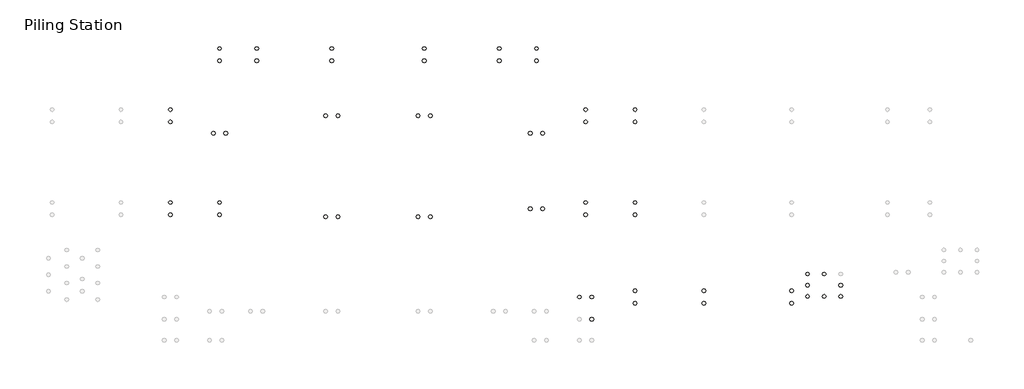
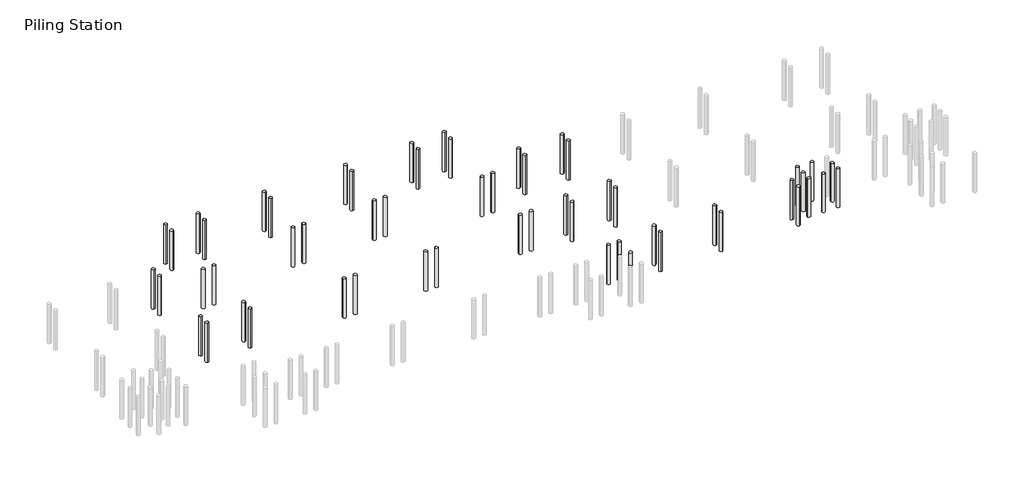
# One storey, part 3 of 4: 56 slabs.
"""IFC4 building model written with IfcOpenShell, lengths in millimetres."""

import ifcopenshell
import ifcopenshell.guid

model = None  # the IFC model being written
_history = None  # IfcOwnerHistory: only IFC2X3 demands one
_inside = {}  # id of a spatial element -> (the spatial element, [elements in it])
_under = {}  # id of a project, library or spatial element -> (it, [spatial elements below it])
_declared = {}  # id of a project -> (the project, [libraries it declares])
_typed = {}  # id of a type object -> (the type object, [elements of that type])
_made_of = {}  # id of a material, layer set ... -> (it, [elements and type objects made of it])


def new_model(schema):
    """Start an empty IFC model of exactly this schema.

    Asked for "IFC4X3", IfcOpenShell would pick the latest addendum, in which some entities
    have other attributes; the version numbers below select the first issue.
    IFC2X3 requires an IfcOwnerHistory on every rooted entity: one is made here for all.
    """
    global model, _history
    if schema == "IFC4X3":
        model = ifcopenshell.file(schema_version=(4, 3, 0, 0))
    else:
        model = ifcopenshell.file(schema=schema)
    _inside.clear()
    _under.clear()
    _declared.clear()
    _typed.clear()
    _made_of.clear()
    _history = None
    if model.schema == "IFC2X3":
        org = make("IfcOrganization", Name="unknown")
        user = make(
            "IfcPersonAndOrganization",
            ThePerson=make("IfcPerson", FamilyName="unknown"),
            TheOrganization=org,
        )
        app = make(
            "IfcApplication",
            ApplicationDeveloper=org,
            Version="unknown",
            ApplicationFullName="unknown",
            ApplicationIdentifier="unknown",
        )
        _history = make(
            "IfcOwnerHistory",
            OwningUser=user,
            OwningApplication=app,
            ChangeAction="ADDED",
            CreationDate=0,
        )
    return model


def make(cls, **values):
    """One entity of the class cls with the attributes given. An attribute that is None is left unset."""
    return model.create_entity(
        cls, **{name: value for name, value in values.items() if value is not None}
    )


def rooted(cls, **values):
    """An entity with a GlobalId (a new one), such as an element, a storey or a relation."""
    return make(cls, GlobalId=ifcopenshell.guid.new(), OwnerHistory=_history, **values)


def si_unit(unit_type, name, prefix=None):
    """IfcSIUnit, for example si_unit("LENGTHUNIT", "METRE", prefix="MILLI")."""
    return make("IfcSIUnit", UnitType=unit_type, Prefix=prefix, Name=name)


def assignment(units):
    """IfcUnitAssignment: the units of a project."""
    return None if units is None else make("IfcUnitAssignment", Units=units)


def point(xyz):
    """IfcCartesianPoint."""
    return None if xyz is None else make("IfcCartesianPoint", Coordinates=xyz)


def direction(xyz):
    """IfcDirection."""
    return None if xyz is None else make("IfcDirection", DirectionRatios=xyz)


def frame(location, z_axis=None, x_axis=None):
    """IfcAxis2Placement3D, a coordinate frame: its origin and axes. An axis left out is left unset."""
    return make(
        "IfcAxis2Placement3D",
        Location=point(location),
        Axis=direction(z_axis),
        RefDirection=direction(x_axis),
    )


def frame_2d(location, x_axis=None):
    """IfcAxis2Placement2D, a coordinate frame in the plane: its origin and x axis."""
    return make(
        "IfcAxis2Placement2D", Location=point(location), RefDirection=direction(x_axis)
    )


def origin():
    """The frame at (0, 0, 0) with its axes left unset."""
    return frame((0.0, 0.0, 0.0))


def place(relative_to, where):
    """IfcLocalPlacement: puts the frame where relative to a parent placement (None: the world)."""
    return make(
        "IfcLocalPlacement", PlacementRelTo=relative_to, RelativePlacement=where
    )


def context(
    kind, dimensions, precision=None, world=None, true_north=None, identifier=None
):
    """IfcGeometricRepresentationContext, for example the 3D "Model" context."""
    return make(
        "IfcGeometricRepresentationContext",
        ContextIdentifier=identifier,
        ContextType=kind,
        CoordinateSpaceDimension=dimensions,
        Precision=precision,
        WorldCoordinateSystem=world,
        TrueNorth=true_north,
    )


def project(units=None, contexts=None):
    """IfcProject with its units and contexts."""
    return rooted(
        "IfcProject",
        Name="project",
        RepresentationContexts=contexts,
        UnitsInContext=assignment(units),
    )


def spatial(cls, under=None, at=None, **own):
    """A site, building, storey or space (cls), placed at a placement, below another one or the project."""
    s = rooted(cls, ObjectPlacement=at, **own)
    if under is not None:
        _under.setdefault(under.id(), (under, []))[1].append(s)
    return s


def circle_curve(where, radius):
    """IfcCircle in the frame where."""
    return make("IfcCircle", Position=where, Radius=radius)


def trimmed(basis, trim1, trim2, sense, master):
    """IfcTrimmedCurve: the piece of a basis curve between two trims."""
    return make(
        "IfcTrimmedCurve",
        BasisCurve=basis,
        Trim1=trim1,
        Trim2=trim2,
        SenseAgreement=sense,
        MasterRepresentation=master,
    )


def segment(curve, same_sense, transition):
    """IfcCompositeCurveSegment."""
    return make(
        "IfcCompositeCurveSegment",
        Transition=transition,
        SameSense=same_sense,
        ParentCurve=curve,
    )


def composite_curve(segments, self_intersect=None):
    """IfcCompositeCurve: segments joined end to end."""
    return make("IfcCompositeCurve", Segments=segments, SelfIntersect=self_intersect)


def outline(outer, holes=None, kind="AREA"):
    """IfcArbitraryClosedProfileDef: a profile drawn as a closed curve; with holes, ...WithVoids."""
    if holes is None:
        return make("IfcArbitraryClosedProfileDef", ProfileType=kind, OuterCurve=outer)
    return make(
        "IfcArbitraryProfileDefWithVoids",
        ProfileType=kind,
        OuterCurve=outer,
        InnerCurves=holes,
    )


def extrude(swept, where, along, depth):
    """IfcExtrudedAreaSolid: the profile swept, set in the frame where, extruded along a direction by depth."""
    return make(
        "IfcExtrudedAreaSolid",
        SweptArea=swept,
        Position=where,
        ExtrudedDirection=direction(along),
        Depth=depth,
    )


def shape(context_of_items, identifier, shape_type, items):
    """IfcShapeRepresentation: the items that make up one representation, for example the "Body"."""
    return make(
        "IfcShapeRepresentation",
        ContextOfItems=context_of_items,
        RepresentationIdentifier=identifier,
        RepresentationType=shape_type,
        Items=items,
    )


def made_of(thing, what):
    """Note that an element or type object is made of a material, layer set ...; save() writes the relation."""
    if what is not None:
        _made_of.setdefault(what.id(), (what, []))[1].append(thing)
    return thing


def element(
    cls,
    number,
    at=None,
    inside=None,
    cuts=None,
    type_object=None,
    material=None,
    context=None,
    identifier="Body",
    shape_type=None,
    held_by="IfcProductDefinitionShape",
    body=None,
    shapes=None,
    **own,
):
    """One element of the class cls, such as IfcWall. Its Tag is "e" and its number.

    at: its placement. inside: the storey or other place that contains it. cuts: it is an
    opening in that element (IfcRelVoidsElement). A single representation is given by context,
    identifier, shape_type and body (its items); several are given by shapes. held_by: the class
    of the entity that holds the representations. save() writes the other relations.
    """
    e = rooted(cls, Tag="e%d" % number, ObjectPlacement=at, **own)
    if body is not None:
        shapes = [shape(context, identifier, shape_type, body)]
    if shapes is not None:
        e.Representation = make(held_by, Representations=shapes)
    if inside is not None:
        _inside.setdefault(inside.id(), (inside, []))[1].append(e)
    if cuts is not None:
        rooted(
            "IfcRelVoidsElement", RelatingBuildingElement=cuts, RelatedOpeningElement=e
        )
    if type_object is not None:
        _typed.setdefault(type_object.id(), (type_object, []))[1].append(e)
    return made_of(e, material)


def aggregate(whole, parts):
    """IfcRelAggregates: a whole, such as a stair, and the parts it consists of."""
    return rooted("IfcRelAggregates", RelatingObject=whole, RelatedObjects=parts)


def save(model, path):
    """Write the relations noted so far, then the file.

    IfcRelAggregates (storeys below a building ...), IfcRelContainedInSpatialStructure (elements
    in a storey), IfcRelDefinesByType, IfcRelAssociatesMaterial and IfcRelDeclares: one each for
    every whole, place, type object, material and project.
    """
    for whole, parts in _under.values():
        aggregate(whole, parts)
    for where, things in _inside.values():
        rooted(
            "IfcRelContainedInSpatialStructure",
            RelatedElements=things,
            RelatingStructure=where,
        )
    for kind, things in _typed.values():
        rooted("IfcRelDefinesByType", RelatedObjects=things, RelatingType=kind)
    for what, things in _made_of.values():
        rooted("IfcRelAssociatesMaterial", RelatedObjects=things, RelatingMaterial=what)
    for by, libraries in _declared.values():
        rooted("IfcRelDeclares", RelatingContext=by, RelatedDefinitions=libraries)
    model.write(path)


model = new_model("IFC4")

# Units and contexts
model_context = context("Model", 3, world=origin())
ifc_project = project(units=[si_unit("LENGTHUNIT", "METRE", prefix="MILLI")], contexts=[model_context])

# Site, building, storey
site = spatial("IfcSite", under=ifc_project)
building = spatial("IfcBuilding", under=site)
storey = spatial("IfcBuildingStorey", under=building, Name="Piling Station", Elevation=-2100.0)

# Slabs
placement = place(None, origin())
element("IfcSlab", 1, ObjectType="Pile-Round with Symbol", at=placement, inside=storey, context=model_context, shape_type="SweptSolid", body=[
    extrude(outline(composite_curve([segment(trimmed(circle_curve(frame_2d((-31777.5749186, -12519.7248986)), 125.0), [point((-31777.5749186, -12644.7248986))], [point((-31777.5749186, -12394.7248986))], False, "CARTESIAN"), True, "CONTINUOUS"), segment(trimmed(circle_curve(frame_2d((-31777.5749186, -12519.7248986)), 125.0), [point((-31777.5749186, -12394.7248986))], [point((-31777.5749186, -12644.7248986))], False, "CARTESIAN"), True, "CONTINUOUS")], self_intersect=False)), frame((0.0, 0.0, -5100.0), z_axis=(0.0, 0.0, 1.0), x_axis=(1.0, 0.0, 0.0)), (0.0, 0.0, 1.0), 3050.0),
])
element("IfcSlab", 2, ObjectType="Pile-Round with Symbol", at=placement, inside=storey, context=model_context, shape_type="SweptSolid", body=[
    extrude(outline(composite_curve([segment(trimmed(circle_curve(frame_2d((-31777.5749186, -11719.7248986)), 125.0), [point((-31777.5749186, -11594.7248986))], [point((-31777.5749186, -11844.7248986))], False, "CARTESIAN"), True, "CONTINUOUS"), segment(trimmed(circle_curve(frame_2d((-31777.5749186, -11719.7248986)), 125.0), [point((-31777.5749186, -11844.7248986))], [point((-31777.5749186, -11594.7248986))], False, "CARTESIAN"), True, "CONTINUOUS")], self_intersect=False)), frame((0.0, 0.0, -5100.0), z_axis=(0.0, 0.0, 1.0), x_axis=(1.0, 0.0, 0.0)), (0.0, 0.0, 1.0), 3050.0),
])
element("IfcSlab", 3, ObjectType="Pile-Round with Symbol", at=placement, inside=storey, context=model_context, shape_type="SweptSolid", body=[
    extrude(outline(composite_curve([segment(trimmed(circle_curve(frame_2d((-28590.0749186, -12519.7248986)), 125.0), [point((-28590.0749186, -12644.7248986))], [point((-28590.0749186, -12394.7248986))], False, "CARTESIAN"), True, "CONTINUOUS"), segment(trimmed(circle_curve(frame_2d((-28590.0749186, -12519.7248986)), 125.0), [point((-28590.0749186, -12394.7248986))], [point((-28590.0749186, -12644.7248986))], False, "CARTESIAN"), True, "CONTINUOUS")], self_intersect=False)), frame((0.0, 0.0, -5100.0), z_axis=(0.0, 0.0, 1.0), x_axis=(1.0, 0.0, 0.0)), (0.0, 0.0, 1.0), 3050.0),
])
element("IfcSlab", 4, ObjectType="Pile-Round with Symbol", at=placement, inside=storey, context=model_context, shape_type="SweptSolid", body=[
    extrude(outline(composite_curve([segment(trimmed(circle_curve(frame_2d((-28590.0749186, -11719.7248986)), 125.0), [point((-28590.0749186, -11594.7248986))], [point((-28590.0749186, -11844.7248986))], False, "CARTESIAN"), True, "CONTINUOUS"), segment(trimmed(circle_curve(frame_2d((-28590.0749186, -11719.7248986)), 125.0), [point((-28590.0749186, -11844.7248986))], [point((-28590.0749186, -11594.7248986))], False, "CARTESIAN"), True, "CONTINUOUS")], self_intersect=False)), frame((0.0, 0.0, -5100.0), z_axis=(0.0, 0.0, 1.0), x_axis=(1.0, 0.0, 0.0)), (0.0, 0.0, 1.0), 3050.0),
])
element("IfcSlab", 5, ObjectType="Pile-Round with Symbol", at=placement, inside=storey, context=model_context, shape_type="SweptSolid", body=[
    extrude(outline(composite_curve([segment(trimmed(circle_curve(frame_2d((-21707.5749186, -12639.7248986)), 125.0), [point((-21832.5749186, -12639.7248986))], [point((-21582.5749186, -12639.7248986))], False, "CARTESIAN"), True, "CONTINUOUS"), segment(trimmed(circle_curve(frame_2d((-21707.5749186, -12639.7248986)), 125.0), [point((-21582.5749186, -12639.7248986))], [point((-21832.5749186, -12639.7248986))], False, "CARTESIAN"), True, "CONTINUOUS")], self_intersect=False)), frame((0.0, 0.0, -5100.0), z_axis=(0.0, 0.0, 1.0), x_axis=(1.0, 0.0, 0.0)), (0.0, 0.0, 1.0), 3050.0),
])
element("IfcSlab", 6, ObjectType="Pile-Round with Symbol", at=placement, inside=storey, context=model_context, shape_type="SweptSolid", body=[
    extrude(outline(composite_curve([segment(trimmed(circle_curve(frame_2d((-20907.5749186, -12639.7248986)), 125.0), [point((-20782.5749186, -12639.7248986))], [point((-21032.5749186, -12639.7248986))], False, "CARTESIAN"), True, "CONTINUOUS"), segment(trimmed(circle_curve(frame_2d((-20907.5749186, -12639.7248986)), 125.0), [point((-21032.5749186, -12639.7248986))], [point((-20782.5749186, -12639.7248986))], False, "CARTESIAN"), True, "CONTINUOUS")], self_intersect=False)), frame((0.0, 0.0, -5100.0), z_axis=(0.0, 0.0, 1.0), x_axis=(1.0, 0.0, 0.0)), (0.0, 0.0, 1.0), 3050.0),
])
element("IfcSlab", 7, ObjectType="Pile-Round with Symbol", at=placement, inside=storey, context=model_context, shape_type="SweptSolid", body=[
    extrude(outline(composite_curve([segment(trimmed(circle_curve(frame_2d((-15707.5749186, -12639.7248986)), 125.0), [point((-15832.5749186, -12639.7248986))], [point((-15582.5749186, -12639.7248986))], False, "CARTESIAN"), True, "CONTINUOUS"), segment(trimmed(circle_curve(frame_2d((-15707.5749186, -12639.7248986)), 125.0), [point((-15582.5749186, -12639.7248986))], [point((-15832.5749186, -12639.7248986))], False, "CARTESIAN"), True, "CONTINUOUS")], self_intersect=False)), frame((0.0, 0.0, -5100.0), z_axis=(0.0, 0.0, 1.0), x_axis=(1.0, 0.0, 0.0)), (0.0, 0.0, 1.0), 3050.0),
])
element("IfcSlab", 8, ObjectType="Pile-Round with Symbol", at=placement, inside=storey, context=model_context, shape_type="SweptSolid", body=[
    extrude(outline(composite_curve([segment(trimmed(circle_curve(frame_2d((-14907.5749186, -12639.7248986)), 125.0), [point((-14782.5749186, -12639.7248986))], [point((-15032.5749186, -12639.7248986))], False, "CARTESIAN"), True, "CONTINUOUS"), segment(trimmed(circle_curve(frame_2d((-14907.5749186, -12639.7248986)), 125.0), [point((-15032.5749186, -12639.7248986))], [point((-14782.5749186, -12639.7248986))], False, "CARTESIAN"), True, "CONTINUOUS")], self_intersect=False)), frame((0.0, 0.0, -5100.0), z_axis=(0.0, 0.0, 1.0), x_axis=(1.0, 0.0, 0.0)), (0.0, 0.0, 1.0), 3050.0),
])
element("IfcSlab", 9, ObjectType="Pile-Round with Symbol", at=placement, inside=storey, context=model_context, shape_type="SweptSolid", body=[
    extrude(outline(composite_curve([segment(trimmed(circle_curve(frame_2d((-31777.5749186, -6489.7248986)), 125.0), [point((-31777.5749186, -6614.7248986))], [point((-31777.5749186, -6364.7248986))], False, "CARTESIAN"), True, "CONTINUOUS"), segment(trimmed(circle_curve(frame_2d((-31777.5749186, -6489.7248986)), 125.0), [point((-31777.5749186, -6364.7248986))], [point((-31777.5749186, -6614.7248986))], False, "CARTESIAN"), True, "CONTINUOUS")], self_intersect=False)), frame((0.0, 0.0, -5100.0), z_axis=(0.0, 0.0, 1.0), x_axis=(1.0, 0.0, 0.0)), (0.0, 0.0, 1.0), 3050.0),
])
element("IfcSlab", 10, ObjectType="Pile-Round with Symbol", at=placement, inside=storey, context=model_context, shape_type="SweptSolid", body=[
    extrude(outline(composite_curve([segment(trimmed(circle_curve(frame_2d((-31777.5749186, -5689.7248986)), 125.0), [point((-31777.5749186, -5564.7248986))], [point((-31777.5749186, -5814.7248986))], False, "CARTESIAN"), True, "CONTINUOUS"), segment(trimmed(circle_curve(frame_2d((-31777.5749186, -5689.7248986)), 125.0), [point((-31777.5749186, -5814.7248986))], [point((-31777.5749186, -5564.7248986))], False, "CARTESIAN"), True, "CONTINUOUS")], self_intersect=False)), frame((0.0, 0.0, -5100.0), z_axis=(0.0, 0.0, 1.0), x_axis=(1.0, 0.0, 0.0)), (0.0, 0.0, 1.0), 3050.0),
])
element("IfcSlab", 11, ObjectType="Pile-Round with Symbol", at=placement, inside=storey, context=model_context, shape_type="SweptSolid", body=[
    extrude(outline(composite_curve([segment(trimmed(circle_curve(frame_2d((-28990.0749186, -7225.9748986)), 125.0), [point((-29115.0749186, -7225.9748986))], [point((-28865.0749186, -7225.9748986))], False, "CARTESIAN"), True, "CONTINUOUS"), segment(trimmed(circle_curve(frame_2d((-28990.0749186, -7225.9748986)), 125.0), [point((-28865.0749186, -7225.9748986))], [point((-29115.0749186, -7225.9748986))], False, "CARTESIAN"), True, "CONTINUOUS")], self_intersect=False)), frame((0.0, 0.0, -5100.0), z_axis=(0.0, 0.0, 1.0), x_axis=(1.0, 0.0, 0.0)), (0.0, 0.0, 1.0), 3050.0),
])
element("IfcSlab", 12, ObjectType="Pile-Round with Symbol", at=placement, inside=storey, context=model_context, shape_type="SweptSolid", body=[
    extrude(outline(composite_curve([segment(trimmed(circle_curve(frame_2d((-28190.0749186, -7225.9748986)), 125.0), [point((-28065.0749186, -7225.9748986))], [point((-28315.0749186, -7225.9748986))], False, "CARTESIAN"), True, "CONTINUOUS"), segment(trimmed(circle_curve(frame_2d((-28190.0749186, -7225.9748986)), 125.0), [point((-28315.0749186, -7225.9748986))], [point((-28065.0749186, -7225.9748986))], False, "CARTESIAN"), True, "CONTINUOUS")], self_intersect=False)), frame((0.0, 0.0, -5100.0), z_axis=(0.0, 0.0, 1.0), x_axis=(1.0, 0.0, 0.0)), (0.0, 0.0, 1.0), 3050.0),
])
element("IfcSlab", 13, ObjectType="Pile-Round with Symbol", at=placement, inside=storey, context=model_context, shape_type="SweptSolid", body=[
    extrude(outline(composite_curve([segment(trimmed(circle_curve(frame_2d((-28590.0749186, -2524.7248986)), 125.0), [point((-28590.0749186, -2649.7248986))], [point((-28590.0749186, -2399.7248986))], False, "CARTESIAN"), True, "CONTINUOUS"), segment(trimmed(circle_curve(frame_2d((-28590.0749186, -2524.7248986)), 125.0), [point((-28590.0749186, -2399.7248986))], [point((-28590.0749186, -2649.7248986))], False, "CARTESIAN"), True, "CONTINUOUS")], self_intersect=False)), frame((0.0, 0.0, -5100.0), z_axis=(0.0, 0.0, 1.0), x_axis=(1.0, 0.0, 0.0)), (0.0, 0.0, 1.0), 3050.0),
])
element("IfcSlab", 14, ObjectType="Pile-Round with Symbol", at=placement, inside=storey, context=model_context, shape_type="SweptSolid", body=[
    extrude(outline(composite_curve([segment(trimmed(circle_curve(frame_2d((-28590.0749186, -1724.7248986)), 125.0), [point((-28590.0749186, -1599.7248986))], [point((-28590.0749186, -1849.7248986))], False, "CARTESIAN"), True, "CONTINUOUS"), segment(trimmed(circle_curve(frame_2d((-28590.0749186, -1724.7248986)), 125.0), [point((-28590.0749186, -1849.7248986))], [point((-28590.0749186, -1599.7248986))], False, "CARTESIAN"), True, "CONTINUOUS")], self_intersect=False)), frame((0.0, 0.0, -5100.0), z_axis=(0.0, 0.0, 1.0), x_axis=(1.0, 0.0, 0.0)), (0.0, 0.0, 1.0), 3050.0),
])
element("IfcSlab", 15, ObjectType="Pile-Round with Symbol", at=placement, inside=storey, context=model_context, shape_type="SweptSolid", body=[
    extrude(outline(composite_curve([segment(trimmed(circle_curve(frame_2d((-26182.5749186, -2524.7248986)), 125.0), [point((-26182.5749186, -2649.7248986))], [point((-26182.5749186, -2399.7248986))], False, "CARTESIAN"), True, "CONTINUOUS"), segment(trimmed(circle_curve(frame_2d((-26182.5749186, -2524.7248986)), 125.0), [point((-26182.5749186, -2399.7248986))], [point((-26182.5749186, -2649.7248986))], False, "CARTESIAN"), True, "CONTINUOUS")], self_intersect=False)), frame((0.0, 0.0, -5100.0), z_axis=(0.0, 0.0, 1.0), x_axis=(1.0, 0.0, 0.0)), (0.0, 0.0, 1.0), 3050.0),
])
element("IfcSlab", 16, ObjectType="Pile-Round with Symbol", at=placement, inside=storey, context=model_context, shape_type="SweptSolid", body=[
    extrude(outline(composite_curve([segment(trimmed(circle_curve(frame_2d((-26182.5749186, -1724.7248986)), 125.0), [point((-26182.5749186, -1599.7248986))], [point((-26182.5749186, -1849.7248986))], False, "CARTESIAN"), True, "CONTINUOUS"), segment(trimmed(circle_curve(frame_2d((-26182.5749186, -1724.7248986)), 125.0), [point((-26182.5749186, -1849.7248986))], [point((-26182.5749186, -1599.7248986))], False, "CARTESIAN"), True, "CONTINUOUS")], self_intersect=False)), frame((0.0, 0.0, -5100.0), z_axis=(0.0, 0.0, 1.0), x_axis=(1.0, 0.0, 0.0)), (0.0, 0.0, 1.0), 3050.0),
])
element("IfcSlab", 17, ObjectType="Pile-Round with Symbol", at=placement, inside=storey, context=model_context, shape_type="SweptSolid", body=[
    extrude(outline(composite_curve([segment(trimmed(circle_curve(frame_2d((-21307.5749186, -2524.7248986)), 125.0), [point((-21307.5749186, -2649.7248986))], [point((-21307.5749186, -2399.7248986))], False, "CARTESIAN"), True, "CONTINUOUS"), segment(trimmed(circle_curve(frame_2d((-21307.5749186, -2524.7248986)), 125.0), [point((-21307.5749186, -2399.7248986))], [point((-21307.5749186, -2649.7248986))], False, "CARTESIAN"), True, "CONTINUOUS")], self_intersect=False)), frame((0.0, 0.0, -5100.0), z_axis=(0.0, 0.0, 1.0), x_axis=(1.0, 0.0, 0.0)), (0.0, 0.0, 1.0), 3050.0),
])
element("IfcSlab", 18, ObjectType="Pile-Round with Symbol", at=placement, inside=storey, context=model_context, shape_type="SweptSolid", body=[
    extrude(outline(composite_curve([segment(trimmed(circle_curve(frame_2d((-21307.5749186, -1724.7248986)), 125.0), [point((-21307.5749186, -1599.7248986))], [point((-21307.5749186, -1849.7248986))], False, "CARTESIAN"), True, "CONTINUOUS"), segment(trimmed(circle_curve(frame_2d((-21307.5749186, -1724.7248986)), 125.0), [point((-21307.5749186, -1849.7248986))], [point((-21307.5749186, -1599.7248986))], False, "CARTESIAN"), True, "CONTINUOUS")], self_intersect=False)), frame((0.0, 0.0, -5100.0), z_axis=(0.0, 0.0, 1.0), x_axis=(1.0, 0.0, 0.0)), (0.0, 0.0, 1.0), 3050.0),
])
element("IfcSlab", 19, ObjectType="Pile-Round with Symbol", at=placement, inside=storey, context=model_context, shape_type="SweptSolid", body=[
    extrude(outline(composite_curve([segment(trimmed(circle_curve(frame_2d((-15307.5749186, -2524.7248986)), 125.0), [point((-15307.5749186, -2649.7248986))], [point((-15307.5749186, -2399.7248986))], False, "CARTESIAN"), True, "CONTINUOUS"), segment(trimmed(circle_curve(frame_2d((-15307.5749186, -2524.7248986)), 125.0), [point((-15307.5749186, -2399.7248986))], [point((-15307.5749186, -2649.7248986))], False, "CARTESIAN"), True, "CONTINUOUS")], self_intersect=False)), frame((0.0, 0.0, -5100.0), z_axis=(0.0, 0.0, 1.0), x_axis=(1.0, 0.0, 0.0)), (0.0, 0.0, 1.0), 3050.0),
])
element("IfcSlab", 20, ObjectType="Pile-Round with Symbol", at=placement, inside=storey, context=model_context, shape_type="SweptSolid", body=[
    extrude(outline(composite_curve([segment(trimmed(circle_curve(frame_2d((-15307.5749186, -1724.7248986)), 125.0), [point((-15307.5749186, -1599.7248986))], [point((-15307.5749186, -1849.7248986))], False, "CARTESIAN"), True, "CONTINUOUS"), segment(trimmed(circle_curve(frame_2d((-15307.5749186, -1724.7248986)), 125.0), [point((-15307.5749186, -1849.7248986))], [point((-15307.5749186, -1599.7248986))], False, "CARTESIAN"), True, "CONTINUOUS")], self_intersect=False)), frame((0.0, 0.0, -5100.0), z_axis=(0.0, 0.0, 1.0), x_axis=(1.0, 0.0, 0.0)), (0.0, 0.0, 1.0), 3050.0),
])
element("IfcSlab", 21, ObjectType="Pile-Round with Symbol", at=placement, inside=storey, context=model_context, shape_type="SweptSolid", body=[
    extrude(outline(composite_curve([segment(trimmed(circle_curve(frame_2d((-10432.5749186, -2524.7248986)), 125.0), [point((-10432.5749186, -2649.7248986))], [point((-10432.5749186, -2399.7248986))], False, "CARTESIAN"), True, "CONTINUOUS"), segment(trimmed(circle_curve(frame_2d((-10432.5749186, -2524.7248986)), 125.0), [point((-10432.5749186, -2399.7248986))], [point((-10432.5749186, -2649.7248986))], False, "CARTESIAN"), True, "CONTINUOUS")], self_intersect=False)), frame((0.0, 0.0, -5100.0), z_axis=(0.0, 0.0, 1.0), x_axis=(1.0, 0.0, 0.0)), (0.0, 0.0, 1.0), 3050.0),
])
element("IfcSlab", 22, ObjectType="Pile-Round with Symbol", at=placement, inside=storey, context=model_context, shape_type="SweptSolid", body=[
    extrude(outline(composite_curve([segment(trimmed(circle_curve(frame_2d((-10432.5749186, -1724.7248986)), 125.0), [point((-10432.5749186, -1599.7248986))], [point((-10432.5749186, -1849.7248986))], False, "CARTESIAN"), True, "CONTINUOUS"), segment(trimmed(circle_curve(frame_2d((-10432.5749186, -1724.7248986)), 125.0), [point((-10432.5749186, -1849.7248986))], [point((-10432.5749186, -1599.7248986))], False, "CARTESIAN"), True, "CONTINUOUS")], self_intersect=False)), frame((0.0, 0.0, -5100.0), z_axis=(0.0, 0.0, 1.0), x_axis=(1.0, 0.0, 0.0)), (0.0, 0.0, 1.0), 3050.0),
])
element("IfcSlab", 23, ObjectType="Pile-Round with Symbol", at=placement, inside=storey, context=model_context, shape_type="SweptSolid", body=[
    extrude(outline(composite_curve([segment(trimmed(circle_curve(frame_2d((-8025.0749186, -2524.7248986)), 125.0), [point((-8025.0749186, -2649.7248986))], [point((-8025.0749186, -2399.7248986))], False, "CARTESIAN"), True, "CONTINUOUS"), segment(trimmed(circle_curve(frame_2d((-8025.0749186, -2524.7248986)), 125.0), [point((-8025.0749186, -2399.7248986))], [point((-8025.0749186, -2649.7248986))], False, "CARTESIAN"), True, "CONTINUOUS")], self_intersect=False)), frame((0.0, 0.0, -5100.0), z_axis=(0.0, 0.0, 1.0), x_axis=(1.0, 0.0, 0.0)), (0.0, 0.0, 1.0), 3050.0),
])
element("IfcSlab", 24, ObjectType="Pile-Round with Symbol", at=placement, inside=storey, context=model_context, shape_type="SweptSolid", body=[
    extrude(outline(composite_curve([segment(trimmed(circle_curve(frame_2d((-8025.0749186, -1724.7248986)), 125.0), [point((-8025.0749186, -1599.7248986))], [point((-8025.0749186, -1849.7248986))], False, "CARTESIAN"), True, "CONTINUOUS"), segment(trimmed(circle_curve(frame_2d((-8025.0749186, -1724.7248986)), 125.0), [point((-8025.0749186, -1849.7248986))], [point((-8025.0749186, -1599.7248986))], False, "CARTESIAN"), True, "CONTINUOUS")], self_intersect=False)), frame((0.0, 0.0, -5100.0), z_axis=(0.0, 0.0, 1.0), x_axis=(1.0, 0.0, 0.0)), (0.0, 0.0, 1.0), 3050.0),
])
element("IfcSlab", 25, ObjectType="Pile-Round with Symbol", at=placement, inside=storey, context=model_context, shape_type="SweptSolid", body=[
    extrude(outline(composite_curve([segment(trimmed(circle_curve(frame_2d((-21707.5749186, -6089.7248986)), 125.0), [point((-21832.5749186, -6089.7248986))], [point((-21582.5749186, -6089.7248986))], False, "CARTESIAN"), True, "CONTINUOUS"), segment(trimmed(circle_curve(frame_2d((-21707.5749186, -6089.7248986)), 125.0), [point((-21582.5749186, -6089.7248986))], [point((-21832.5749186, -6089.7248986))], False, "CARTESIAN"), True, "CONTINUOUS")], self_intersect=False)), frame((0.0, 0.0, -5100.0), z_axis=(0.0, 0.0, 1.0), x_axis=(1.0, 0.0, 0.0)), (0.0, 0.0, 1.0), 3050.0),
])
element("IfcSlab", 26, ObjectType="Pile-Round with Symbol", at=placement, inside=storey, context=model_context, shape_type="SweptSolid", body=[
    extrude(outline(composite_curve([segment(trimmed(circle_curve(frame_2d((-20907.5749186, -6089.7248986)), 125.0), [point((-20782.5749186, -6089.7248986))], [point((-21032.5749186, -6089.7248986))], False, "CARTESIAN"), True, "CONTINUOUS"), segment(trimmed(circle_curve(frame_2d((-20907.5749186, -6089.7248986)), 125.0), [point((-21032.5749186, -6089.7248986))], [point((-20782.5749186, -6089.7248986))], False, "CARTESIAN"), True, "CONTINUOUS")], self_intersect=False)), frame((0.0, 0.0, -5100.0), z_axis=(0.0, 0.0, 1.0), x_axis=(1.0, 0.0, 0.0)), (0.0, 0.0, 1.0), 3050.0),
])
element("IfcSlab", 27, ObjectType="Pile-Round with Symbol", at=placement, inside=storey, context=model_context, shape_type="SweptSolid", body=[
    extrude(outline(composite_curve([segment(trimmed(circle_curve(frame_2d((-15707.5749186, -6089.7248986)), 125.0), [point((-15832.5749186, -6089.7248986))], [point((-15582.5749186, -6089.7248986))], False, "CARTESIAN"), True, "CONTINUOUS"), segment(trimmed(circle_curve(frame_2d((-15707.5749186, -6089.7248986)), 125.0), [point((-15582.5749186, -6089.7248986))], [point((-15832.5749186, -6089.7248986))], False, "CARTESIAN"), True, "CONTINUOUS")], self_intersect=False)), frame((0.0, 0.0, -5100.0), z_axis=(0.0, 0.0, 1.0), x_axis=(1.0, 0.0, 0.0)), (0.0, 0.0, 1.0), 3050.0),
])
element("IfcSlab", 28, ObjectType="Pile-Round with Symbol", at=placement, inside=storey, context=model_context, shape_type="SweptSolid", body=[
    extrude(outline(composite_curve([segment(trimmed(circle_curve(frame_2d((-14907.5749186, -6089.7248986)), 125.0), [point((-14782.5749186, -6089.7248986))], [point((-15032.5749186, -6089.7248986))], False, "CARTESIAN"), True, "CONTINUOUS"), segment(trimmed(circle_curve(frame_2d((-14907.5749186, -6089.7248986)), 125.0), [point((-15032.5749186, -6089.7248986))], [point((-14782.5749186, -6089.7248986))], False, "CARTESIAN"), True, "CONTINUOUS")], self_intersect=False)), frame((0.0, 0.0, -5100.0), z_axis=(0.0, 0.0, 1.0), x_axis=(1.0, 0.0, 0.0)), (0.0, 0.0, 1.0), 3050.0),
])
element("IfcSlab", 29, ObjectType="Pile-Round with Symbol", at=placement, inside=storey, context=model_context, shape_type="SweptSolid", body=[
    extrude(outline(composite_curve([segment(trimmed(circle_curve(frame_2d((-8425.0749186, -7225.9748986)), 125.0), [point((-8550.0749186, -7225.9748986))], [point((-8300.0749186, -7225.9748986))], False, "CARTESIAN"), True, "CONTINUOUS"), segment(trimmed(circle_curve(frame_2d((-8425.0749186, -7225.9748986)), 125.0), [point((-8300.0749186, -7225.9748986))], [point((-8550.0749186, -7225.9748986))], False, "CARTESIAN"), True, "CONTINUOUS")], self_intersect=False)), frame((0.0, 0.0, -5100.0), z_axis=(0.0, 0.0, 1.0), x_axis=(1.0, 0.0, 0.0)), (0.0, 0.0, 1.0), 3050.0),
])
element("IfcSlab", 30, ObjectType="Pile-Round with Symbol", at=placement, inside=storey, context=model_context, shape_type="SweptSolid", body=[
    extrude(outline(composite_curve([segment(trimmed(circle_curve(frame_2d((-7625.0749186, -7225.9748986)), 125.0), [point((-7500.0749186, -7225.9748986))], [point((-7750.0749186, -7225.9748986))], False, "CARTESIAN"), True, "CONTINUOUS"), segment(trimmed(circle_curve(frame_2d((-7625.0749186, -7225.9748986)), 125.0), [point((-7750.0749186, -7225.9748986))], [point((-7500.0749186, -7225.9748986))], False, "CARTESIAN"), True, "CONTINUOUS")], self_intersect=False)), frame((0.0, 0.0, -5100.0), z_axis=(0.0, 0.0, 1.0), x_axis=(1.0, 0.0, 0.0)), (0.0, 0.0, 1.0), 3050.0),
])
element("IfcSlab", 31, ObjectType="Pile-Round with Symbol", at=placement, inside=storey, context=model_context, shape_type="SweptSolid", body=[
    extrude(outline(composite_curve([segment(trimmed(circle_curve(frame_2d((-8425.0749186, -12119.7248986)), 125.0), [point((-8550.0749186, -12119.7248986))], [point((-8300.0749186, -12119.7248986))], False, "CARTESIAN"), True, "CONTINUOUS"), segment(trimmed(circle_curve(frame_2d((-8425.0749186, -12119.7248986)), 125.0), [point((-8300.0749186, -12119.7248986))], [point((-8550.0749186, -12119.7248986))], False, "CARTESIAN"), True, "CONTINUOUS")], self_intersect=False)), frame((0.0, 0.0, -5100.0), z_axis=(0.0, 0.0, 1.0), x_axis=(1.0, 0.0, 0.0)), (0.0, 0.0, 1.0), 3050.0),
])
element("IfcSlab", 32, ObjectType="Pile-Round with Symbol", at=placement, inside=storey, context=model_context, shape_type="SweptSolid", body=[
    extrude(outline(composite_curve([segment(trimmed(circle_curve(frame_2d((-7625.0749186, -12119.7248986)), 125.0), [point((-7500.0749186, -12119.7248986))], [point((-7750.0749186, -12119.7248986))], False, "CARTESIAN"), True, "CONTINUOUS"), segment(trimmed(circle_curve(frame_2d((-7625.0749186, -12119.7248986)), 125.0), [point((-7750.0749186, -12119.7248986))], [point((-7500.0749186, -12119.7248986))], False, "CARTESIAN"), True, "CONTINUOUS")], self_intersect=False)), frame((0.0, 0.0, -5100.0), z_axis=(0.0, 0.0, 1.0), x_axis=(1.0, 0.0, 0.0)), (0.0, 0.0, 1.0), 3050.0),
])
element("IfcSlab", 33, ObjectType="Pile-Round with Symbol", at=placement, inside=storey, context=model_context, shape_type="SweptSolid", body=[
    extrude(outline(composite_curve([segment(trimmed(circle_curve(frame_2d((-1627.5749186, -12519.7248986)), 125.0), [point((-1627.5749186, -12644.7248986))], [point((-1627.5749186, -12394.7248986))], False, "CARTESIAN"), True, "CONTINUOUS"), segment(trimmed(circle_curve(frame_2d((-1627.5749186, -12519.7248986)), 125.0), [point((-1627.5749186, -12394.7248986))], [point((-1627.5749186, -12644.7248986))], False, "CARTESIAN"), True, "CONTINUOUS")], self_intersect=False)), frame((0.0, 0.0, -5100.0), z_axis=(0.0, 0.0, 1.0), x_axis=(1.0, 0.0, 0.0)), (0.0, 0.0, 1.0), 3050.0),
])
element("IfcSlab", 34, ObjectType="Pile-Round with Symbol", at=placement, inside=storey, context=model_context, shape_type="SweptSolid", body=[
    extrude(outline(composite_curve([segment(trimmed(circle_curve(frame_2d((-1627.5749186, -11719.7248986)), 125.0), [point((-1627.5749186, -11594.7248986))], [point((-1627.5749186, -11844.7248986))], False, "CARTESIAN"), True, "CONTINUOUS"), segment(trimmed(circle_curve(frame_2d((-1627.5749186, -11719.7248986)), 125.0), [point((-1627.5749186, -11844.7248986))], [point((-1627.5749186, -11594.7248986))], False, "CARTESIAN"), True, "CONTINUOUS")], self_intersect=False)), frame((0.0, 0.0, -5100.0), z_axis=(0.0, 0.0, 1.0), x_axis=(1.0, 0.0, 0.0)), (0.0, 0.0, 1.0), 3050.0),
])
element("IfcSlab", 35, ObjectType="Pile-Round with Symbol", at=placement, inside=storey, context=model_context, shape_type="SweptSolid", body=[
    extrude(outline(composite_curve([segment(trimmed(circle_curve(frame_2d((-4837.5749186, -12519.7248986)), 125.0), [point((-4837.5749186, -12644.7248986))], [point((-4837.5749186, -12394.7248986))], False, "CARTESIAN"), True, "CONTINUOUS"), segment(trimmed(circle_curve(frame_2d((-4837.5749186, -12519.7248986)), 125.0), [point((-4837.5749186, -12394.7248986))], [point((-4837.5749186, -12644.7248986))], False, "CARTESIAN"), True, "CONTINUOUS")], self_intersect=False)), frame((0.0, 0.0, -5100.0), z_axis=(0.0, 0.0, 1.0), x_axis=(1.0, 0.0, 0.0)), (0.0, 0.0, 1.0), 3050.0),
])
element("IfcSlab", 36, ObjectType="Pile-Round with Symbol", at=placement, inside=storey, context=model_context, shape_type="SweptSolid", body=[
    extrude(outline(composite_curve([segment(trimmed(circle_curve(frame_2d((-4837.5749186, -11719.7248986)), 125.0), [point((-4837.5749186, -11594.7248986))], [point((-4837.5749186, -11844.7248986))], False, "CARTESIAN"), True, "CONTINUOUS"), segment(trimmed(circle_curve(frame_2d((-4837.5749186, -11719.7248986)), 125.0), [point((-4837.5749186, -11844.7248986))], [point((-4837.5749186, -11594.7248986))], False, "CARTESIAN"), True, "CONTINUOUS")], self_intersect=False)), frame((0.0, 0.0, -5100.0), z_axis=(0.0, 0.0, 1.0), x_axis=(1.0, 0.0, 0.0)), (0.0, 0.0, 1.0), 3050.0),
])
element("IfcSlab", 37, ObjectType="Pile-Round with Symbol", at=placement, inside=storey, context=model_context, shape_type="SweptSolid", body=[
    extrude(outline(composite_curve([segment(trimmed(circle_curve(frame_2d((8532.4250814, -18252.2248986)), 125.0), [point((8532.4250814, -18377.2248986))], [point((8532.4250814, -18127.2248986))], False, "CARTESIAN"), True, "CONTINUOUS"), segment(trimmed(circle_curve(frame_2d((8532.4250814, -18252.2248986)), 125.0), [point((8532.4250814, -18127.2248986))], [point((8532.4250814, -18377.2248986))], False, "CARTESIAN"), True, "CONTINUOUS")], self_intersect=False)), frame((0.0, 0.0, -5100.0), z_axis=(0.0, 0.0, 1.0), x_axis=(1.0, 0.0, 0.0)), (0.0, 0.0, 1.0), 3050.0),
])
element("IfcSlab", 38, ObjectType="Pile-Round with Symbol", at=placement, inside=storey, context=model_context, shape_type="SweptSolid", body=[
    extrude(outline(composite_curve([segment(trimmed(circle_curve(frame_2d((8532.4250814, -17452.2248986)), 125.0), [point((8532.4250814, -17327.2248986))], [point((8532.4250814, -17577.2248986))], False, "CARTESIAN"), True, "CONTINUOUS"), segment(trimmed(circle_curve(frame_2d((8532.4250814, -17452.2248986)), 125.0), [point((8532.4250814, -17577.2248986))], [point((8532.4250814, -17327.2248986))], False, "CARTESIAN"), True, "CONTINUOUS")], self_intersect=False)), frame((0.0, 0.0, -5100.0), z_axis=(0.0, 0.0, 1.0), x_axis=(1.0, 0.0, 0.0)), (0.0, 0.0, 1.0), 3050.0),
])
element("IfcSlab", 39, ObjectType="Pile-Round with Symbol", at=placement, inside=storey, context=model_context, shape_type="SweptSolid", body=[
    extrude(outline(composite_curve([segment(trimmed(circle_curve(frame_2d((-4437.5749186, -19299.1395763)), 125.0), [point((-4312.5749186, -19299.1395763))], [point((-4562.5749186, -19299.1395763))], False, "CARTESIAN"), True, "CONTINUOUS"), segment(trimmed(circle_curve(frame_2d((-4437.5749186, -19299.1395763)), 125.0), [point((-4562.5749186, -19299.1395763))], [point((-4312.5749186, -19299.1395763))], False, "CARTESIAN"), True, "CONTINUOUS")], self_intersect=False)), frame((0.0, 0.0, -5100.0), z_axis=(0.0, 0.0, 1.0), x_axis=(1.0, 0.0, 0.0)), (0.0, 0.0, 1.0), 3050.0),
])
element("IfcSlab", 40, ObjectType="Pile-Round with Symbol", at=placement, inside=storey, context=model_context, shape_type="SweptSolid", body=[
    extrude(outline(composite_curve([segment(trimmed(circle_curve(frame_2d((-1627.5749186, -6489.7248986)), 125.0), [point((-1627.5749186, -6614.7248986))], [point((-1627.5749186, -6364.7248986))], False, "CARTESIAN"), True, "CONTINUOUS"), segment(trimmed(circle_curve(frame_2d((-1627.5749186, -6489.7248986)), 125.0), [point((-1627.5749186, -6364.7248986))], [point((-1627.5749186, -6614.7248986))], False, "CARTESIAN"), True, "CONTINUOUS")], self_intersect=False)), frame((0.0, 0.0, -5100.0), z_axis=(0.0, 0.0, 1.0), x_axis=(1.0, 0.0, 0.0)), (0.0, 0.0, 1.0), 3050.0),
])
element("IfcSlab", 41, ObjectType="Pile-Round with Symbol", at=placement, inside=storey, context=model_context, shape_type="SweptSolid", body=[
    extrude(outline(composite_curve([segment(trimmed(circle_curve(frame_2d((-1627.5749186, -5689.7248986)), 125.0), [point((-1627.5749186, -5564.7248986))], [point((-1627.5749186, -5814.7248986))], False, "CARTESIAN"), True, "CONTINUOUS"), segment(trimmed(circle_curve(frame_2d((-1627.5749186, -5689.7248986)), 125.0), [point((-1627.5749186, -5814.7248986))], [point((-1627.5749186, -5564.7248986))], False, "CARTESIAN"), True, "CONTINUOUS")], self_intersect=False)), frame((0.0, 0.0, -5100.0), z_axis=(0.0, 0.0, 1.0), x_axis=(1.0, 0.0, 0.0)), (0.0, 0.0, 1.0), 3050.0),
])
element("IfcSlab", 42, ObjectType="Pile-Round with Symbol", at=placement, inside=storey, context=model_context, shape_type="SweptSolid", body=[
    extrude(outline(composite_curve([segment(trimmed(circle_curve(frame_2d((-4837.5749186, -6489.7248986)), 125.0), [point((-4837.5749186, -6614.7248986))], [point((-4837.5749186, -6364.7248986))], False, "CARTESIAN"), True, "CONTINUOUS"), segment(trimmed(circle_curve(frame_2d((-4837.5749186, -6489.7248986)), 125.0), [point((-4837.5749186, -6364.7248986))], [point((-4837.5749186, -6614.7248986))], False, "CARTESIAN"), True, "CONTINUOUS")], self_intersect=False)), frame((0.0, 0.0, -5100.0), z_axis=(0.0, 0.0, 1.0), x_axis=(1.0, 0.0, 0.0)), (0.0, 0.0, 1.0), 3050.0),
])
element("IfcSlab", 43, ObjectType="Pile-Round with Symbol", at=placement, inside=storey, context=model_context, shape_type="SweptSolid", body=[
    extrude(outline(composite_curve([segment(trimmed(circle_curve(frame_2d((-4837.5749186, -5689.7248986)), 125.0), [point((-4837.5749186, -5564.7248986))], [point((-4837.5749186, -5814.7248986))], False, "CARTESIAN"), True, "CONTINUOUS"), segment(trimmed(circle_curve(frame_2d((-4837.5749186, -5689.7248986)), 125.0), [point((-4837.5749186, -5814.7248986))], [point((-4837.5749186, -5564.7248986))], False, "CARTESIAN"), True, "CONTINUOUS")], self_intersect=False)), frame((0.0, 0.0, -5100.0), z_axis=(0.0, 0.0, 1.0), x_axis=(1.0, 0.0, 0.0)), (0.0, 0.0, 1.0), 3050.0),
])
element("IfcSlab", 44, ObjectType="Pile-Round with Symbol", at=placement, inside=storey, context=model_context, shape_type="SweptSolid", body=[
    extrude(outline(composite_curve([segment(trimmed(circle_curve(frame_2d((-4437.5749186, -17852.2248986)), 125.0), [point((-4312.5749186, -17852.2248986))], [point((-4562.5749186, -17852.2248986))], False, "CARTESIAN"), True, "CONTINUOUS"), segment(trimmed(circle_curve(frame_2d((-4437.5749186, -17852.2248986)), 125.0), [point((-4562.5749186, -17852.2248986))], [point((-4312.5749186, -17852.2248986))], False, "CARTESIAN"), True, "CONTINUOUS")], self_intersect=False)), frame((0.0, 0.0, -5100.0), z_axis=(0.0, 0.0, 1.0), x_axis=(1.0, 0.0, 0.0)), (0.0, 0.0, 1.0), 3050.0),
])
element("IfcSlab", 45, ObjectType="Pile-Round with Symbol", at=placement, inside=storey, context=model_context, shape_type="SweptSolid", body=[
    extrude(outline(composite_curve([segment(trimmed(circle_curve(frame_2d((-5237.5749186, -17852.2248986)), 125.0), [point((-5362.5749186, -17852.2248986))], [point((-5112.5749186, -17852.2248986))], False, "CARTESIAN"), True, "CONTINUOUS"), segment(trimmed(circle_curve(frame_2d((-5237.5749186, -17852.2248986)), 125.0), [point((-5112.5749186, -17852.2248986))], [point((-5362.5749186, -17852.2248986))], False, "CARTESIAN"), True, "CONTINUOUS")], self_intersect=False)), frame((0.0, 0.0, -5100.0), z_axis=(0.0, 0.0, 1.0), x_axis=(1.0, 0.0, 0.0)), (0.0, 0.0, 1.0), 3050.0),
])
element("IfcSlab", 46, ObjectType="Pile-Round with Symbol", at=placement, inside=storey, context=model_context, shape_type="SweptSolid", body=[
    extrude(outline(composite_curve([segment(trimmed(circle_curve(frame_2d((2839.0837277, -18252.2248986)), 125.0), [point((2839.0837277, -18377.2248986))], [point((2839.0837277, -18127.2248986))], False, "CARTESIAN"), True, "CONTINUOUS"), segment(trimmed(circle_curve(frame_2d((2839.0837277, -18252.2248986)), 125.0), [point((2839.0837277, -18127.2248986))], [point((2839.0837277, -18377.2248986))], False, "CARTESIAN"), True, "CONTINUOUS")], self_intersect=False)), frame((0.0, 0.0, -5100.0), z_axis=(0.0, 0.0, 1.0), x_axis=(1.0, 0.0, 0.0)), (0.0, 0.0, 1.0), 3050.0),
])
element("IfcSlab", 47, ObjectType="Pile-Round with Symbol", at=placement, inside=storey, context=model_context, shape_type="SweptSolid", body=[
    extrude(outline(composite_curve([segment(trimmed(circle_curve(frame_2d((2839.0837277, -17452.2248986)), 125.0), [point((2839.0837277, -17327.2248986))], [point((2839.0837277, -17577.2248986))], False, "CARTESIAN"), True, "CONTINUOUS"), segment(trimmed(circle_curve(frame_2d((2839.0837277, -17452.2248986)), 125.0), [point((2839.0837277, -17577.2248986))], [point((2839.0837277, -17327.2248986))], False, "CARTESIAN"), True, "CONTINUOUS")], self_intersect=False)), frame((0.0, 0.0, -5100.0), z_axis=(0.0, 0.0, 1.0), x_axis=(1.0, 0.0, 0.0)), (0.0, 0.0, 1.0), 3050.0),
])
element("IfcSlab", 48, ObjectType="Pile-Round with Symbol", at=placement, inside=storey, context=model_context, shape_type="SweptSolid", body=[
    extrude(outline(composite_curve([segment(trimmed(circle_curve(frame_2d((-1627.5749186, -18252.2248986)), 125.0), [point((-1627.5749186, -18377.2248986))], [point((-1627.5749186, -18127.2248986))], False, "CARTESIAN"), True, "CONTINUOUS"), segment(trimmed(circle_curve(frame_2d((-1627.5749186, -18252.2248986)), 125.0), [point((-1627.5749186, -18127.2248986))], [point((-1627.5749186, -18377.2248986))], False, "CARTESIAN"), True, "CONTINUOUS")], self_intersect=False)), frame((0.0, 0.0, -5100.0), z_axis=(0.0, 0.0, 1.0), x_axis=(1.0, 0.0, 0.0)), (0.0, 0.0, 1.0), 3050.0),
])
element("IfcSlab", 49, ObjectType="Pile-Round with Symbol", at=placement, inside=storey, context=model_context, shape_type="SweptSolid", body=[
    extrude(outline(composite_curve([segment(trimmed(circle_curve(frame_2d((-1627.5749186, -17452.2248986)), 125.0), [point((-1627.5749186, -17327.2248986))], [point((-1627.5749186, -17577.2248986))], False, "CARTESIAN"), True, "CONTINUOUS"), segment(trimmed(circle_curve(frame_2d((-1627.5749186, -17452.2248986)), 125.0), [point((-1627.5749186, -17577.2248986))], [point((-1627.5749186, -17327.2248986))], False, "CARTESIAN"), True, "CONTINUOUS")], self_intersect=False)), frame((0.0, 0.0, -5100.0), z_axis=(0.0, 0.0, 1.0), x_axis=(1.0, 0.0, 0.0)), (0.0, 0.0, 1.0), 3050.0),
])
element("IfcSlab", 50, ObjectType="Pile-Round with Symbol", at=placement, inside=storey, context=model_context, shape_type="SweptSolid", body=[
    extrude(outline(composite_curve([segment(trimmed(circle_curve(frame_2d((10642.4213149, -16360.8678877)), 125.0), [point((10517.4213149, -16360.8678877))], [point((10767.4213149, -16360.8678877))], False, "CARTESIAN"), True, "CONTINUOUS"), segment(trimmed(circle_curve(frame_2d((10642.4213149, -16360.8678877)), 125.0), [point((10767.4213149, -16360.8678877))], [point((10517.4213149, -16360.8678877))], False, "CARTESIAN"), True, "CONTINUOUS")], self_intersect=False)), frame((0.0, 0.0, -5050.0), z_axis=(0.0, 0.0, 1.0), x_axis=(1.0, 0.0, 0.0)), (0.0, 0.0, 1.0), 3000.0),
])
element("IfcSlab", 51, ObjectType="Pile-Round with Symbol", at=placement, inside=storey, context=model_context, shape_type="SweptSolid", body=[
    extrude(outline(composite_curve([segment(trimmed(circle_curve(frame_2d((9567.4213149, -16360.8678877)), 125.0), [point((9442.4213149, -16360.8678877))], [point((9692.4213149, -16360.8678877))], False, "CARTESIAN"), True, "CONTINUOUS"), segment(trimmed(circle_curve(frame_2d((9567.4213149, -16360.8678877)), 125.0), [point((9692.4213149, -16360.8678877))], [point((9442.4213149, -16360.8678877))], False, "CARTESIAN"), True, "CONTINUOUS")], self_intersect=False)), frame((0.0, 0.0, -5050.0), z_axis=(0.0, 0.0, 1.0), x_axis=(1.0, 0.0, 0.0)), (0.0, 0.0, 1.0), 3000.0),
])
element("IfcSlab", 52, ObjectType="Pile-Round with Symbol", at=placement, inside=storey, context=model_context, shape_type="SweptSolid", body=[
    extrude(outline(composite_curve([segment(trimmed(circle_curve(frame_2d((9567.4213149, -17810.8678877)), 125.0), [point((9442.4213149, -17810.8678877))], [point((9692.4213149, -17810.8678877))], False, "CARTESIAN"), True, "CONTINUOUS"), segment(trimmed(circle_curve(frame_2d((9567.4213149, -17810.8678877)), 125.0), [point((9692.4213149, -17810.8678877))], [point((9442.4213149, -17810.8678877))], False, "CARTESIAN"), True, "CONTINUOUS")], self_intersect=False)), frame((0.0, 0.0, -5050.0), z_axis=(0.0, 0.0, 1.0), x_axis=(1.0, 0.0, 0.0)), (0.0, 0.0, 1.0), 3000.0),
])
element("IfcSlab", 53, ObjectType="Pile-Round with Symbol", at=placement, inside=storey, context=model_context, shape_type="SweptSolid", body=[
    extrude(outline(composite_curve([segment(trimmed(circle_curve(frame_2d((10642.4213149, -17810.8678877)), 125.0), [point((10517.4213149, -17810.8678877))], [point((10767.4213149, -17810.8678877))], False, "CARTESIAN"), True, "CONTINUOUS"), segment(trimmed(circle_curve(frame_2d((10642.4213149, -17810.8678877)), 125.0), [point((10767.4213149, -17810.8678877))], [point((10517.4213149, -17810.8678877))], False, "CARTESIAN"), True, "CONTINUOUS")], self_intersect=False)), frame((0.0, 0.0, -5050.0), z_axis=(0.0, 0.0, 1.0), x_axis=(1.0, 0.0, 0.0)), (0.0, 0.0, 1.0), 3000.0),
])
element("IfcSlab", 54, ObjectType="Pile-Round with Symbol", at=placement, inside=storey, context=model_context, shape_type="SweptSolid", body=[
    extrude(outline(composite_curve([segment(trimmed(circle_curve(frame_2d((11717.4213149, -17810.8678877)), 125.0), [point((11592.4213149, -17810.8678877))], [point((11842.4213149, -17810.8678877))], False, "CARTESIAN"), True, "CONTINUOUS"), segment(trimmed(circle_curve(frame_2d((11717.4213149, -17810.8678877)), 125.0), [point((11842.4213149, -17810.8678877))], [point((11592.4213149, -17810.8678877))], False, "CARTESIAN"), True, "CONTINUOUS")], self_intersect=False)), frame((0.0, 0.0, -5050.0), z_axis=(0.0, 0.0, 1.0), x_axis=(1.0, 0.0, 0.0)), (0.0, 0.0, 1.0), 3000.0),
])
element("IfcSlab", 55, ObjectType="Pile-Round with Symbol", at=placement, inside=storey, context=model_context, shape_type="SweptSolid", body=[
    extrude(outline(composite_curve([segment(trimmed(circle_curve(frame_2d((11717.4213149, -17085.8678877)), 125.0), [point((11592.4213149, -17085.8678877))], [point((11842.4213149, -17085.8678877))], False, "CARTESIAN"), True, "CONTINUOUS"), segment(trimmed(circle_curve(frame_2d((11717.4213149, -17085.8678877)), 125.0), [point((11842.4213149, -17085.8678877))], [point((11592.4213149, -17085.8678877))], False, "CARTESIAN"), True, "CONTINUOUS")], self_intersect=False)), frame((0.0, 0.0, -5050.0), z_axis=(0.0, 0.0, 1.0), x_axis=(1.0, 0.0, 0.0)), (0.0, 0.0, 1.0), 3000.0),
])
element("IfcSlab", 56, ObjectType="Pile-Round with Symbol", at=placement, inside=storey, context=model_context, shape_type="SweptSolid", body=[
    extrude(outline(composite_curve([segment(trimmed(circle_curve(frame_2d((9567.4213149, -17085.8678877)), 125.0), [point((9442.4213149, -17085.8678877))], [point((9692.4213149, -17085.8678877))], False, "CARTESIAN"), True, "CONTINUOUS"), segment(trimmed(circle_curve(frame_2d((9567.4213149, -17085.8678877)), 125.0), [point((9692.4213149, -17085.8678877))], [point((9442.4213149, -17085.8678877))], False, "CARTESIAN"), True, "CONTINUOUS")], self_intersect=False)), frame((0.0, 0.0, -5050.0), z_axis=(0.0, 0.0, 1.0), x_axis=(1.0, 0.0, 0.0)), (0.0, 0.0, 1.0), 3000.0),
])

save(model, "model.ifc")
